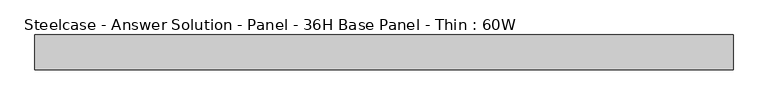
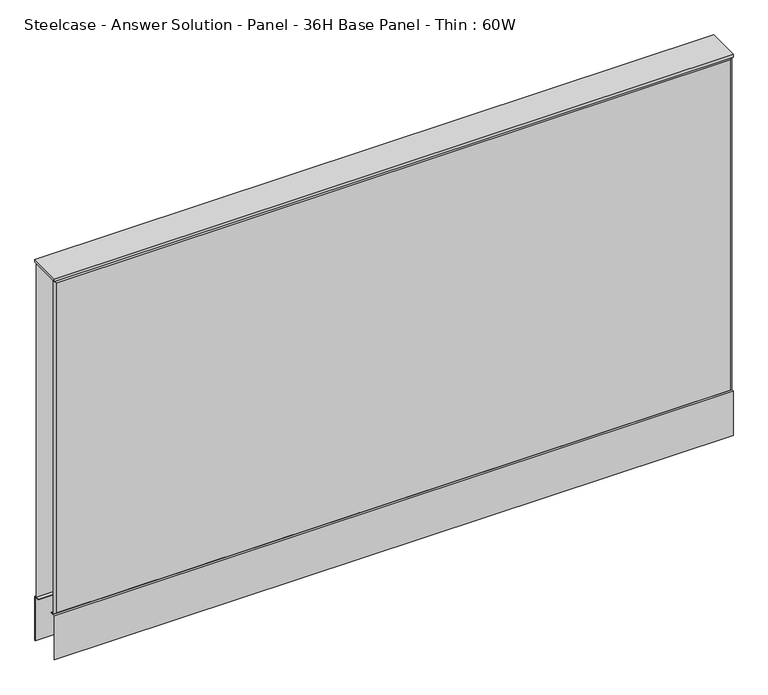
"""IFC4 building model written with IfcOpenShell, lengths in millimetres: furniture geometry, Steelcase - Answer Solution - Panel - 36H Base Panel - Thin : 60W."""

from ifc_helpers import new_model, si_unit, frame, origin, place, context, project, spatial, polyline, outline, extrude, faceted_brep, source, transform, mapped, element, save


def steelcase_answer_solution_panel_36h_base_panel_thin_60w_ff574773(model_context):
    return source(origin(), model_context, "Body", "SolidModel", [
        extrude(outline(polyline([(37.3075215, 119.8575157), (25.4000011, 119.8575157), (25.4000011, 120.65), (38.1000194, 120.65), (38.1000194, 15.494), (37.3075215, 15.494), (37.3075215, 119.8575157)])), frame((-762.0, 0.0, 0.0), z_axis=(1.0, 0.0, 0.0), x_axis=(0.0, 1.0, 0.0)), (0.0, 0.0, 1.0), 1524.0),
        extrude(outline(polyline([(-37.3075215, 119.8575157), (-37.3075215, 15.494), (-38.1000194, 15.494), (-38.1000194, 120.65), (-25.4000011, 120.65), (-25.4000011, 119.8575157), (-37.3075215, 119.8575157)])), frame((-762.0, 0.0, 0.0), z_axis=(1.0, 0.0, 0.0), x_axis=(0.0, 1.0, 0.0)), (0.0, 0.0, 1.0), 1524.0),
        faceted_brep([(757.174, 38.0960553, 909.574), (757.174, 38.0960553, 125.476), (-757.174, 38.0960553, 125.476), (-757.174, 38.0960553, 909.574), (762.0, 33.2700553, 914.4), (-762.0, 33.2700553, 914.4), (-762.0, 33.2700553, 120.65), (762.0, 33.2700553, 120.65)], [[[0, 1, 2, 3]], [[4, 5, 6, 7]], [[4, 0, 3, 5]], [[5, 3, 2, 6]], [[6, 2, 1, 7]], [[7, 1, 0, 4]]]),
        faceted_brep([(757.174, -38.0960553, 909.574), (-757.174, -38.0960553, 909.574), (-757.174, -38.0960553, 125.476), (757.174, -38.0960553, 125.476), (762.0, -33.2700553, 914.4), (762.0, -33.2700553, 120.65), (-762.0, -33.2700553, 120.65), (-762.0, -33.2700553, 914.4)], [[[0, 1, 2, 3]], [[4, 5, 6, 7]], [[4, 7, 1, 0]], [[7, 6, 2, 1]], [[6, 5, 3, 2]], [[5, 4, 0, 3]]]),
        extrude(outline(polyline([(762.0, 38.1000194), (762.0, -38.1000194), (-762.0, -38.1000194), (-762.0, 38.1000194), (762.0, 38.1000194)])), frame((0.0, 0.0, 914.4), z_axis=(0.0, 0.0, 1.0), x_axis=(1.0, 0.0, 0.0)), (0.0, 0.0, 1.0), 6.35),
    ])


if __name__ == "__main__":
    model = new_model("IFC4")
    model_context = context("Model", 3, world=origin())
    ifc_project = project(units=[si_unit("LENGTHUNIT", "METRE", prefix="MILLI")], contexts=[model_context])
    site = spatial("IfcSite", under=ifc_project)
    building = spatial("IfcBuilding", under=site)
    placement = place(None, origin())
    steelcase_answer_solution_panel_36h_base_panel_thin_60w_shape = steelcase_answer_solution_panel_36h_base_panel_thin_60w_ff574773(model_context)
    element("IfcFurniture", 1, ObjectType="Steelcase - Answer Solution - Panel - 36H Base Panel - Thin : 60W", at=placement, inside=building, context=model_context, shape_type="MappedRepresentation", body=[
        mapped(steelcase_answer_solution_panel_36h_base_panel_thin_60w_shape, transform((0.0, 0.0, 0.0), x_axis=(1.0, 0.0, 0.0), y_axis=(0.0, 1.0, 0.0), z_axis=(0.0, 0.0, 1.0))),
    ])
    save(model, "model.ifc")
